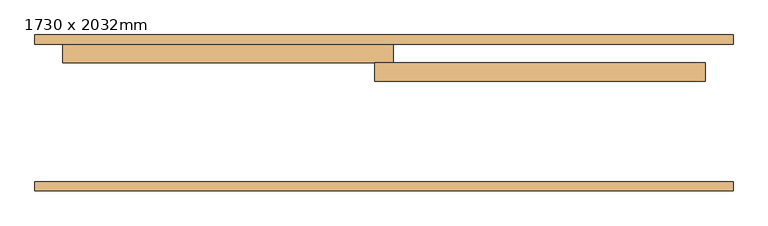
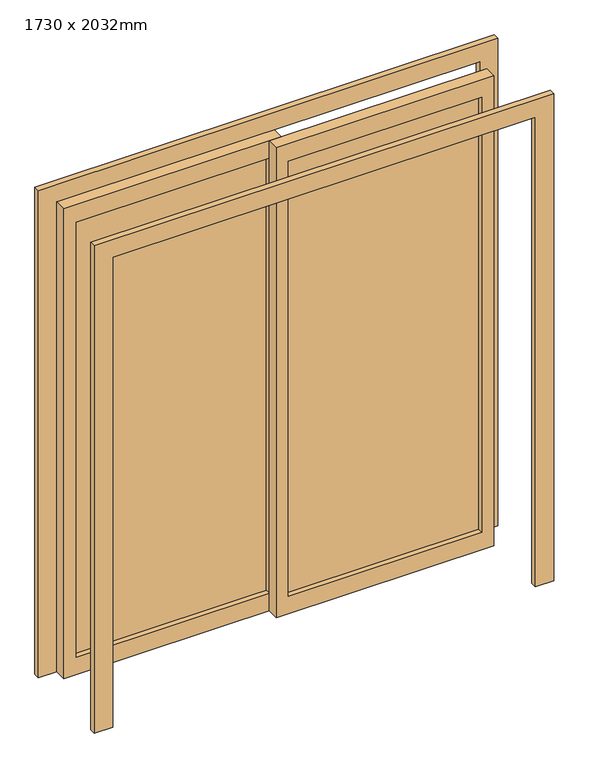
"""IFC4 building model written with IfcOpenShell, lengths in millimetres: door geometry, 1730 x 2032mm."""

from ifc_helpers import new_model, si_unit, frame, origin, place, context, project, spatial, polyline, outline, extrude, source, transform, mapped, element, save


def door_1730_x_2032mm_ef33c074(model_context):
    return source(origin(), model_context, "Body", "SweptSolid", [
        extrude(outline(polyline([(25.4, 240.175), (815.0, 240.175), (815.0, 233.825), (25.4, 233.825), (25.4, 240.175)])), frame((0.0, 0.0, 75.0), z_axis=(0.0, 0.0, 1.0), x_axis=(1.0, 0.0, 0.0)), (0.0, 0.0, 1.0), 1882.0),
        extrude(outline(polyline([(2032.0, -25.4), (0.0, -25.4), (0.0, 865.0), (2032.0, 865.0), (2032.0, -25.4)]), holes=[polyline([(1957.0, 24.6), (1957.0, 815.0), (75.0, 815.0), (75.0, 24.6), (1957.0, 24.6)])]), frame((0.0, 212.0, 0.0), z_axis=(0.0, 1.0, 0.0), x_axis=(0.0, 0.0, 1.0)), (0.0, 0.0, 1.0), 50.0),
        extrude(outline(polyline([(-815.0, 290.175), (-24.6, 290.175), (-24.6, 283.825), (-815.0, 283.825), (-815.0, 290.175)])), frame((0.0, 0.0, 75.0), z_axis=(0.0, 0.0, 1.0), x_axis=(1.0, 0.0, 0.0)), (0.0, 0.0, 1.0), 1882.0),
        extrude(outline(polyline([(2032.0, 25.4), (2032.0, -865.0), (0.0, -865.0), (0.0, 25.4), (2032.0, 25.4)]), holes=[polyline([(1957.0, -24.6), (75.0, -24.6), (75.0, -815.0), (1957.0, -815.0), (1957.0, -24.6)])]), frame((0.0, 262.0, 0.0), z_axis=(0.0, 1.0, 0.0), x_axis=(0.0, 0.0, 1.0)), (0.0, 0.0, 1.0), 50.0),
        extrude(outline(polyline([(0.0, -940.0), (0.0, -865.0), (2032.0, -865.0), (2032.0, 865.0), (0.0, 865.0), (0.0, 940.0), (2107.0, 940.0), (2107.0, -940.0), (0.0, -940.0)])), frame((0.0, -83.0, 0.0), z_axis=(0.0, 1.0, 0.0), x_axis=(0.0, 0.0, 1.0)), (0.0, 0.0, 1.0), 25.0),
        extrude(outline(polyline([(0.0, 940.0), (2107.0, 940.0), (2107.0, -940.0), (0.0, -940.0), (0.0, -865.0), (2032.0, -865.0), (2032.0, 865.0), (0.0, 865.0), (0.0, 940.0)])), frame((0.0, 312.0, 0.0), z_axis=(0.0, 1.0, 0.0), x_axis=(0.0, 0.0, 1.0)), (0.0, 0.0, 1.0), 25.0),
    ])


if __name__ == "__main__":
    model = new_model("IFC4")
    model_context = context("Model", 3, world=origin())
    ifc_project = project(units=[si_unit("LENGTHUNIT", "METRE", prefix="MILLI")], contexts=[model_context])
    site = spatial("IfcSite", under=ifc_project)
    building = spatial("IfcBuilding", under=site)
    placement = place(None, origin())
    door_1730_x_2032mm_shape = door_1730_x_2032mm_ef33c074(model_context)
    element("IfcDoor", 1, ObjectType="1730 x 2032mm", at=placement, inside=building, context=model_context, shape_type="MappedRepresentation", body=[
        mapped(door_1730_x_2032mm_shape, transform((0.0, 0.0, 0.0), x_axis=(1.0, 0.0, 0.0), y_axis=(0.0, 1.0, 0.0), z_axis=(0.0, 0.0, 1.0))),
    ])
    save(model, "model.ifc")
